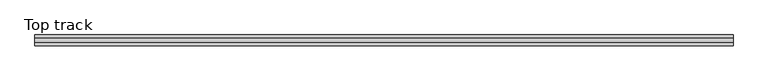
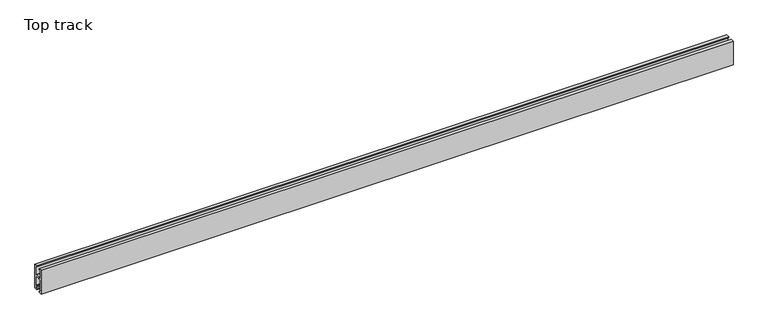
"""IFC4 building model written with IfcOpenShell, lengths in millimetres: proxy geometry, Top track."""

from ifc_helpers import new_model, si_unit, frame, origin, place, context, project, spatial, polyline, outline, extrude, source, transform, mapped, element, save


def top_track_737257df(model_context):
    return source(origin(), model_context, "Body", "SweptSolid", [
        extrude(outline(polyline([(-15.0, 71.0), (-7.0, 71.0), (-7.0, 68.0), (-12.0, 68.0), (-12.0, 41.4987449), (-5.9983584, 41.4987449), (-5.9983584, 44.4974898), (7.0, 44.4974898), (7.0, 41.4987449), (12.0, 41.4987449), (12.0, 68.0), (7.0, 68.0), (7.0, 71.0), (15.0, 71.0), (15.0, 0.0), (7.0, 0.0), (7.0, 3.0), (12.0, 3.0), (12.0, 8.4), (8.5, 8.4), (8.5, 9.9), (12.0, 9.9), (12.0, 38.4987449), (4.0, 38.4987449), (4.0, 41.4987449), (-2.9983584, 41.4987449), (-2.9983584, 38.4987449), (-12.0, 38.4987449), (-12.0, 9.9), (-8.5, 9.9), (-8.5, 8.4), (-12.0, 8.4), (-12.0, 3.0), (-7.0, 3.0), (-7.0, 0.0), (-15.0, 0.0), (-15.0, 71.0)])), frame((0.0, 0.0, 0.0), z_axis=(1.0, 0.0, 0.0), x_axis=(0.0, 1.0, 0.0)), (0.0, 0.0, 1.0), 1950.0),
    ])


if __name__ == "__main__":
    model = new_model("IFC4")
    model_context = context("Model", 3, world=origin())
    ifc_project = project(units=[si_unit("LENGTHUNIT", "METRE", prefix="MILLI")], contexts=[model_context])
    site = spatial("IfcSite", under=ifc_project)
    building = spatial("IfcBuilding", under=site)
    placement = place(None, origin())
    top_track_shape = top_track_737257df(model_context)
    element("IfcBuildingElementProxy", 1, Name="Top track", ObjectType="Top track", at=placement, inside=building, context=model_context, shape_type="MappedRepresentation", body=[
        mapped(top_track_shape, transform((0.0, 0.0, 0.0), x_axis=(1.0, 0.0, 0.0), y_axis=(0.0, 1.0, 0.0), z_axis=(0.0, 0.0, 1.0))),
    ])
    save(model, "model.ifc")
